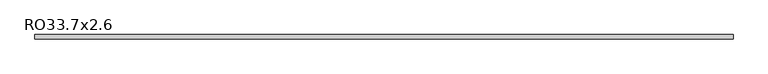
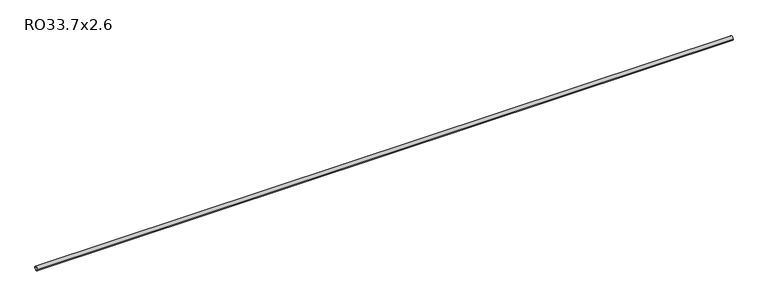
"""IFC4 building model written with IfcOpenShell, lengths in millimetres: member geometry, RO33.7x2.6."""

from ifc_helpers import new_model, si_unit, point, frame, origin, origin_2d, place, context, project, spatial, circle_curve, trimmed, segment, composite_curve, outline, extrude, source, transform, mapped, element, save


def ro33_7x2_6_07e2517b(model_context):
    return source(origin(), model_context, "Body", "SweptSolid", [
        extrude(outline(composite_curve([segment(trimmed(circle_curve(origin_2d(), 16.85), [point((16.85, 0.0))], [point((-16.85, 0.0))], False, "CARTESIAN"), True, "CONTINUOUS"), segment(trimmed(circle_curve(origin_2d(), 16.85), [point((-16.85, 0.0))], [point((16.85, 0.0))], False, "CARTESIAN"), True, "CONTINUOUS")], self_intersect=False), holes=[composite_curve([segment(trimmed(circle_curve(origin_2d(), 14.25), [point((-14.25, 0.0))], [point((14.25, 0.0))], True, "CARTESIAN"), True, "CONTINUOUS"), segment(trimmed(circle_curve(origin_2d(), 14.25), [point((14.25, 0.0))], [point((-14.25, 0.0))], True, "CARTESIAN"), True, "CONTINUOUS")], self_intersect=False)]), frame((-2793.1, 0.0, 0.0), z_axis=(1.0, 0.0, 0.0), x_axis=(0.0, 1.0, 0.0)), (0.0, 0.0, 1.0), 5586.2),
    ])


if __name__ == "__main__":
    model = new_model("IFC4")
    model_context = context("Model", 3, world=origin())
    ifc_project = project(units=[si_unit("LENGTHUNIT", "METRE", prefix="MILLI")], contexts=[model_context])
    site = spatial("IfcSite", under=ifc_project)
    building = spatial("IfcBuilding", under=site)
    placement = place(None, origin())
    ro33_7x2_6_shape = ro33_7x2_6_07e2517b(model_context)
    element("IfcMember", 1, ObjectType="RO33.7x2.6", at=placement, inside=building, context=model_context, shape_type="MappedRepresentation", body=[
        mapped(ro33_7x2_6_shape, transform((0.0, 0.0, 0.0), x_axis=(1.0, 0.0, 0.0), y_axis=(0.0, 1.0, 0.0), z_axis=(0.0, 0.0, 1.0))),
    ])
    save(model, "model.ifc")
